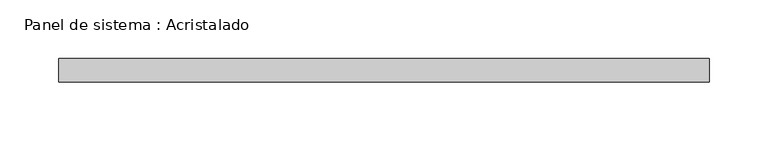
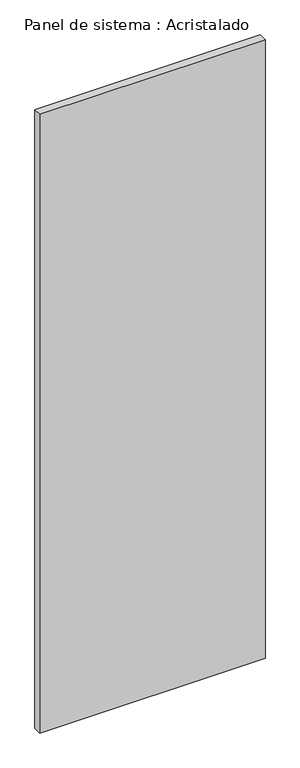
"""IFC4 building model written with IfcOpenShell, lengths in millimetres: plate geometry, Panel de sistema : Acristalado."""

from ifc_helpers import new_model, si_unit, origin, origin_with_axes, place, context, project, spatial, polyline, outline, extrude, source, transform, mapped, element, save


def panel_de_sistema_acristalado_83723937(model_context):
    return source(origin(), model_context, "Body", "SweptSolid", [
        extrude(outline(polyline([(277.5, -10.0), (-277.5, -10.0), (-277.5, 10.0), (277.5, 10.0), (277.5, -10.0)])), origin_with_axes(), (0.0, 0.0, 1.0), 1610.8718726),
    ])


if __name__ == "__main__":
    model = new_model("IFC4")
    model_context = context("Model", 3, world=origin())
    ifc_project = project(units=[si_unit("LENGTHUNIT", "METRE", prefix="MILLI")], contexts=[model_context])
    site = spatial("IfcSite", under=ifc_project)
    building = spatial("IfcBuilding", under=site)
    placement = place(None, origin())
    panel_de_sistema_acristalado_shape = panel_de_sistema_acristalado_83723937(model_context)
    element("IfcPlate", 1, ObjectType="Panel de sistema : Acristalado", at=placement, inside=building, context=model_context, shape_type="MappedRepresentation", body=[
        mapped(panel_de_sistema_acristalado_shape, transform((0.0, 0.0, 0.0), x_axis=(1.0, 0.0, 0.0), y_axis=(0.0, 1.0, 0.0), z_axis=(0.0, 0.0, 1.0))),
    ])
    save(model, "model.ifc")
